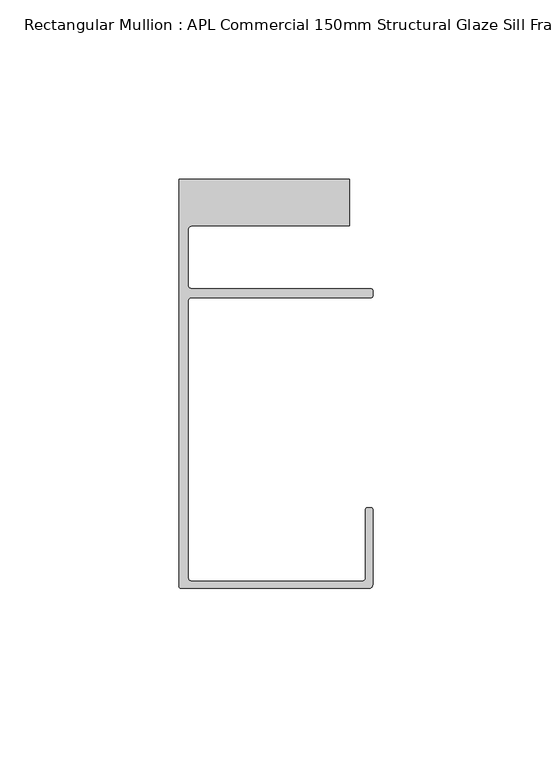
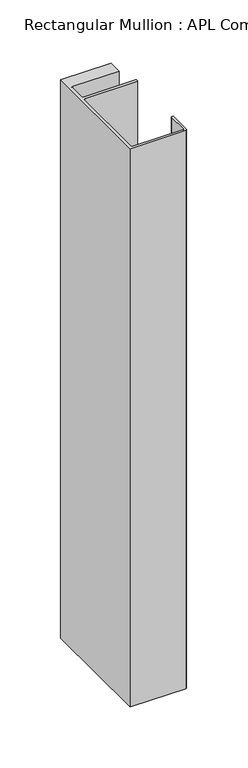
"""IFC4 building model written with IfcOpenShell, lengths in millimetres: member geometry, Rectangular Mullion : APL Commercial 150mm Structural Glaze Sill Frame (Back)."""

import ifcopenshell
import ifcopenshell.guid

model = None  # the IFC model being written
_history = None  # IfcOwnerHistory: only IFC2X3 demands one
_inside = {}  # id of a spatial element -> (the spatial element, [elements in it])
_under = {}  # id of a project, library or spatial element -> (it, [spatial elements below it])
_declared = {}  # id of a project -> (the project, [libraries it declares])
_typed = {}  # id of a type object -> (the type object, [elements of that type])
_made_of = {}  # id of a material, layer set ... -> (it, [elements and type objects made of it])


def new_model(schema):
    """Start an empty IFC model of exactly this schema.

    Asked for "IFC4X3", IfcOpenShell would pick the latest addendum, in which some entities
    have other attributes; the version numbers below select the first issue.
    IFC2X3 requires an IfcOwnerHistory on every rooted entity: one is made here for all.
    """
    global model, _history
    if schema == "IFC4X3":
        model = ifcopenshell.file(schema_version=(4, 3, 0, 0))
    else:
        model = ifcopenshell.file(schema=schema)
    _inside.clear()
    _under.clear()
    _declared.clear()
    _typed.clear()
    _made_of.clear()
    _history = None
    if model.schema == "IFC2X3":
        org = make("IfcOrganization", Name="unknown")
        user = make(
            "IfcPersonAndOrganization",
            ThePerson=make("IfcPerson", FamilyName="unknown"),
            TheOrganization=org,
        )
        app = make(
            "IfcApplication",
            ApplicationDeveloper=org,
            Version="unknown",
            ApplicationFullName="unknown",
            ApplicationIdentifier="unknown",
        )
        _history = make(
            "IfcOwnerHistory",
            OwningUser=user,
            OwningApplication=app,
            ChangeAction="ADDED",
            CreationDate=0,
        )
    return model


def make(cls, **values):
    """One entity of the class cls with the attributes given. An attribute that is None is left unset."""
    return model.create_entity(
        cls, **{name: value for name, value in values.items() if value is not None}
    )


def rooted(cls, **values):
    """An entity with a GlobalId (a new one), such as an element, a storey or a relation."""
    return make(cls, GlobalId=ifcopenshell.guid.new(), OwnerHistory=_history, **values)


def si_unit(unit_type, name, prefix=None):
    """IfcSIUnit, for example si_unit("LENGTHUNIT", "METRE", prefix="MILLI")."""
    return make("IfcSIUnit", UnitType=unit_type, Prefix=prefix, Name=name)


def assignment(units):
    """IfcUnitAssignment: the units of a project."""
    return None if units is None else make("IfcUnitAssignment", Units=units)


def point(xyz):
    """IfcCartesianPoint."""
    return None if xyz is None else make("IfcCartesianPoint", Coordinates=xyz)


def direction(xyz):
    """IfcDirection."""
    return None if xyz is None else make("IfcDirection", DirectionRatios=xyz)


def frame(location, z_axis=None, x_axis=None):
    """IfcAxis2Placement3D, a coordinate frame: its origin and axes. An axis left out is left unset."""
    return make(
        "IfcAxis2Placement3D",
        Location=point(location),
        Axis=direction(z_axis),
        RefDirection=direction(x_axis),
    )


def origin():
    """The frame at (0, 0, 0) with its axes left unset."""
    return frame((0.0, 0.0, 0.0))


def place(relative_to, where):
    """IfcLocalPlacement: puts the frame where relative to a parent placement (None: the world)."""
    return make(
        "IfcLocalPlacement", PlacementRelTo=relative_to, RelativePlacement=where
    )


def context(
    kind, dimensions, precision=None, world=None, true_north=None, identifier=None
):
    """IfcGeometricRepresentationContext, for example the 3D "Model" context."""
    return make(
        "IfcGeometricRepresentationContext",
        ContextIdentifier=identifier,
        ContextType=kind,
        CoordinateSpaceDimension=dimensions,
        Precision=precision,
        WorldCoordinateSystem=world,
        TrueNorth=true_north,
    )


def project(units=None, contexts=None):
    """IfcProject with its units and contexts."""
    return rooted(
        "IfcProject",
        Name="project",
        RepresentationContexts=contexts,
        UnitsInContext=assignment(units),
    )


def spatial(cls, under=None, at=None, **own):
    """A site, building, storey or space (cls), placed at a placement, below another one or the project."""
    s = rooted(cls, ObjectPlacement=at, **own)
    if under is not None:
        _under.setdefault(under.id(), (under, []))[1].append(s)
    return s


def polyline(points):
    """IfcPolyline through the points."""
    return make("IfcPolyline", Points=[point(p) for p in points])


def circle_curve(where, radius):
    """IfcCircle in the frame where."""
    return make("IfcCircle", Position=where, Radius=radius)


def shape(context_of_items, identifier, shape_type, items):
    """IfcShapeRepresentation: the items that make up one representation, for example the "Body"."""
    return make(
        "IfcShapeRepresentation",
        ContextOfItems=context_of_items,
        RepresentationIdentifier=identifier,
        RepresentationType=shape_type,
        Items=items,
    )


def source(mapping_origin, context_of_items, identifier, shape_type, items):
    """IfcRepresentationMap: a shape defined once, which mapped items show again and again."""
    return make(
        "IfcRepresentationMap",
        MappingOrigin=mapping_origin,
        MappedRepresentation=shape(context_of_items, identifier, shape_type, items),
    )


def transform(
    local_origin,
    x_axis=None,
    y_axis=None,
    z_axis=None,
    scale=None,
    scale2=None,
    scale3=None,
    uniform=True,
):
    """IfcCartesianTransformationOperator3D, or its non-uniform kind. x_axis, y_axis, z_axis: its Axis1, 2, 3."""
    if uniform:
        return make(
            "IfcCartesianTransformationOperator3D",
            Axis1=direction(x_axis),
            Axis2=direction(y_axis),
            LocalOrigin=point(local_origin),
            Scale=scale,
            Axis3=direction(z_axis),
        )
    return make(
        "IfcCartesianTransformationOperator3DnonUniform",
        Axis1=direction(x_axis),
        Axis2=direction(y_axis),
        LocalOrigin=point(local_origin),
        Scale=scale,
        Axis3=direction(z_axis),
        Scale2=scale2,
        Scale3=scale3,
    )


def mapped(mapping_source, mapping_target):
    """IfcMappedItem: shows the shape of a source again, moved by a transform."""
    return make(
        "IfcMappedItem", MappingSource=mapping_source, MappingTarget=mapping_target
    )


def made_of(thing, what):
    """Note that an element or type object is made of a material, layer set ...; save() writes the relation."""
    if what is not None:
        _made_of.setdefault(what.id(), (what, []))[1].append(thing)
    return thing


def element(
    cls,
    number,
    at=None,
    inside=None,
    cuts=None,
    type_object=None,
    material=None,
    context=None,
    identifier="Body",
    shape_type=None,
    held_by="IfcProductDefinitionShape",
    body=None,
    shapes=None,
    **own,
):
    """One element of the class cls, such as IfcWall. Its Tag is "e" and its number.

    at: its placement. inside: the storey or other place that contains it. cuts: it is an
    opening in that element (IfcRelVoidsElement). A single representation is given by context,
    identifier, shape_type and body (its items); several are given by shapes. held_by: the class
    of the entity that holds the representations. save() writes the other relations.
    """
    e = rooted(cls, Tag="e%d" % number, ObjectPlacement=at, **own)
    if body is not None:
        shapes = [shape(context, identifier, shape_type, body)]
    if shapes is not None:
        e.Representation = make(held_by, Representations=shapes)
    if inside is not None:
        _inside.setdefault(inside.id(), (inside, []))[1].append(e)
    if cuts is not None:
        rooted(
            "IfcRelVoidsElement", RelatingBuildingElement=cuts, RelatedOpeningElement=e
        )
    if type_object is not None:
        _typed.setdefault(type_object.id(), (type_object, []))[1].append(e)
    return made_of(e, material)


def aggregate(whole, parts):
    """IfcRelAggregates: a whole, such as a stair, and the parts it consists of."""
    return rooted("IfcRelAggregates", RelatingObject=whole, RelatedObjects=parts)


def save(model, path):
    """Write the relations noted so far, then the file.

    IfcRelAggregates (storeys below a building ...), IfcRelContainedInSpatialStructure (elements
    in a storey), IfcRelDefinesByType, IfcRelAssociatesMaterial and IfcRelDeclares: one each for
    every whole, place, type object, material and project.
    """
    for whole, parts in _under.values():
        aggregate(whole, parts)
    for where, things in _inside.values():
        rooted(
            "IfcRelContainedInSpatialStructure",
            RelatedElements=things,
            RelatingStructure=where,
        )
    for kind, things in _typed.values():
        rooted("IfcRelDefinesByType", RelatedObjects=things, RelatingType=kind)
    for what, things in _made_of.values():
        rooted("IfcRelAssociatesMaterial", RelatedObjects=things, RelatingMaterial=what)
    for by, libraries in _declared.values():
        rooted("IfcRelDeclares", RelatingContext=by, RelatedDefinitions=libraries)
    model.write(path)


def plane_surface(at):
    """IfcPlane: the flat surface through the origin of the frame at, square to its z axis."""
    return make("IfcPlane", Position=at)


def cylinder_surface(at, radius):
    """IfcCylindricalSurface: all points at the distance radius from the z axis of the frame at."""
    return make("IfcCylindricalSurface", Position=at, Radius=radius)


def revolved_surface(curve, axis_point, axis_direction):
    """IfcSurfaceOfRevolution: the curve turned about the line through axis_point along axis_direction."""
    return make(
        "IfcSurfaceOfRevolution",
        SweptCurve=make("IfcArbitraryOpenProfileDef", ProfileType="CURVE", Curve=curve),
        AxisPosition=make("IfcAxis1Placement", Location=point(axis_point), Axis=direction(axis_direction)),
    )


def advanced_brep(points, edges, surfaces, faces):
    """IfcAdvancedBrep: a solid bounded by faces that lie on surfaces and meet in shared edges.

    An edge is (start, end): straight between two places in points (the first is 0);
    or (start, end, curve); or (start, end, curve, False) where it runs against its curve.
    A face is (place in surfaces, loops), or (place, loops, False) where it looks against
    its surface's normal. A loop lists edges by number (the first is 1), with a minus sign
    where the edge is run from its end to its start. The first loop is the outer one.
    """
    corners = [point(p) for p in points]
    vertices = [make("IfcVertexPoint", VertexGeometry=c) for c in corners]
    made = []
    for start, end, *more in edges:
        made.append(
            make(
                "IfcEdgeCurve",
                EdgeStart=vertices[start],
                EdgeEnd=vertices[end],
                EdgeGeometry=more[0] if more else make("IfcPolyline", Points=[corners[start], corners[end]]),
                SameSense=more[1] if len(more) > 1 else True,
            )
        )
    hull = []
    for where, loops, *sense in faces:
        bounds = []
        for j, loop in enumerate(loops):
            ring = [make("IfcOrientedEdge", EdgeElement=made[abs(k) - 1], Orientation=k > 0) for k in loop]
            bounds.append(
                make(
                    "IfcFaceOuterBound" if j == 0 else "IfcFaceBound",
                    Bound=make("IfcEdgeLoop", EdgeList=ring),
                    Orientation=True,
                )
            )
        hull.append(make("IfcAdvancedFace", Bounds=bounds, FaceSurface=surfaces[where], SameSense=sense[0] if sense else True))
    return make("IfcAdvancedBrep", Outer=make("IfcClosedShell", CfsFaces=hull))


def rectangular_mullion_apl_commercial_150mm_structural_glaze_e4b535e9(model_context):
    return source(origin(), model_context, "Body", "AdvancedBrep", [
        advanced_brep(
        [(-53.5000083, -129.0001071, 0.0), (-1.0000079, -129.0001071, 0.0), (-7.9e-06, -128.0001071, 0.0), (0.0, -107.0001071, 0.0), (-0.5, -106.5001071, 0.0), (-1.4999822, -106.5001071, 0.0), (-1.9999822, -107.0001071, 0.0), (-1.9999982, -126.0001071, 0.0), (-2.9999982, -127.0001071, 0.0), (-50.5000083, -127.00011, 0.0), (-51.5000083, -126.00011, 0.0), (-51.5000225, -48.9999541, 0.0), (-50.482081, -48.000115, 0.0), (-0.5000012, -48.000115, 0.0), (-5.4e-06, -47.5021598, 0.0), (-5.4e-06, -46.0213357, 0.0), (-0.521387, -45.4999541, 0.0), (-50.500032, -45.4999541, 0.0), (-51.500032, -44.4999541, 0.0), (-51.500032, -29.0004332, 0.0), (-50.500032, -28.0004332, 0.0), (-6.5000083, -28.0004332, 0.0), (-6.5000083, -15.0004332, 0.0), (-54.0000083, -15.0004332, 0.0), (-54.0000083, -128.5001071, 0.0), (-53.5000083, -129.0001071, -558.9999477), (-54.0000083, -128.5001071, -558.9999477), (-54.0000083, -15.0004332, -558.9999477), (-6.5000083, -15.0004332, -558.9999477), (-6.5000083, -28.0004332, -558.9999477), (-50.500032, -28.0004332, -558.9999477), (-51.500032, -29.0004332, -558.9999477), (-51.500032, -44.4999541, -558.9999477), (-50.500032, -45.4999541, -558.9999477), (-0.521387, -45.4999541, -558.9999477), (-5.4e-06, -46.0213357, -558.9999477), (-5.4e-06, -47.5021598, -558.9999477), (-0.5000012, -48.000115, -558.9999477), (-50.482081, -48.000115, -558.9999477), (-51.5000225, -48.9999541, -558.9999477), (-51.5000225, -126.00011, -558.9999477), (-50.5000083, -127.00011, -558.9999477), (-2.9999982, -127.00011, -558.9999477), (-1.9999982, -126.0001071, -558.9999477), (-1.9999982, -107.0001071, -558.9999477), (-1.4999822, -106.5001071, -558.9999477), (-0.5, -106.5001071, -558.9999477), (0.0, -107.0001071, -558.9999477), (0.0, -128.0001071, -558.9999477), (-1.0000079, -129.0001071, -558.9999477)],
        [
            (0, 1),
            (1, 2, circle_curve(frame((-1.0000079, -128.0001071, 0.0), z_axis=(0.0, 0.0, 1.0), x_axis=(0.9999999999996143, -8.78371761103865e-07, 0.0)), 1.0)),
            (2, 3),
            (3, 4, circle_curve(frame((-0.5, -107.0001071, 0.0), z_axis=(0.0, 0.0, 1.0), x_axis=(0.0, 1.0, 0.0)), 0.5)),
            (4, 5),
            (5, 6, circle_curve(frame((-1.4999822, -107.0001071, 0.0), z_axis=(0.0, 0.0, 1.0), x_axis=(-1.0, 1.039279773351609e-08, 0.0)), 0.5)),
            (6, 7),
            (7, 8, circle_curve(frame((-2.9999982, -126.0001071, 0.0), z_axis=(0.0, 0.0, -1.0), x_axis=(0.0, -1.0, 0.0)), 1.0)),
            (8, 9),
            (9, 10, circle_curve(frame((-50.5000083, -126.00011, 0.0), z_axis=(0.0, 0.0, -1.0), x_axis=(-1.0, -3.636202450239078e-12, 0.0)), 1.0)),
            (10, 11),
            (11, 12, circle_curve(frame((-50.5000225, -48.9999541, 0.0), z_axis=(0.0, 0.0, -1.0), x_axis=(3.5344775231070867e-06, 0.9999999999937538, 0.0)), 1.0)),
            (12, 13),
            (13, 14, circle_curve(frame((-0.5000012, -47.500115, 0.0), z_axis=(0.0, 0.0, 1.0), x_axis=(0.9999999999999991, 4.5120271963110614e-08, 0.0)), 0.5)),
            (14, 15),
            (15, 16, circle_curve(frame((-0.521387, -46.0213357, 0.0), z_axis=(0.0, 0.0, 1.0), x_axis=(-1.0, 0.0, 0.0)), 0.5213816)),
            (16, 17),
            (17, 18, circle_curve(frame((-50.500032, -44.4999541, 0.0), z_axis=(0.0, 0.0, -1.0), x_axis=(-0.9999999999998819, -4.863123717036027e-07, 0.0)), 1.0)),
            (18, 19),
            (19, 20, circle_curve(frame((-50.500032, -29.0004332, 0.0), z_axis=(0.0, 0.0, -1.0), x_axis=(0.0, 1.0, 0.0)), 1.0)),
            (20, 21),
            (21, 22),
            (22, 23),
            (23, 24),
            (24, 0, circle_curve(frame((-53.5000083, -128.5001071, 0.0), z_axis=(0.0, 0.0, 1.0), x_axis=(0.0, -1.0, 0.0)), 0.5)),
            (25, 26, circle_curve(frame((-53.5000083, -128.5001071, -558.9999477), z_axis=(0.0, 0.0, -1.0), x_axis=(0.0, -1.0, 0.0)), 0.5)),
            (26, 27),
            (27, 28),
            (28, 29),
            (29, 30),
            (30, 31, circle_curve(frame((-50.500032, -29.0004332, -558.9999477), z_axis=(0.0, 0.0, 1.0), x_axis=(0.0, 1.0, 0.0)), 1.0)),
            (31, 32),
            (32, 33, circle_curve(frame((-50.500032, -44.4999541, -558.9999477), z_axis=(0.0, 0.0, 1.0), x_axis=(-0.9999999999998819, -4.863123717036027e-07, 0.0)), 1.0)),
            (33, 34),
            (34, 35, circle_curve(frame((-0.521387, -46.0213357, -558.9999477), z_axis=(0.0, 0.0, -1.0), x_axis=(-1.0, 0.0, 0.0)), 0.5213816)),
            (35, 36),
            (36, 37, circle_curve(frame((-0.5000012, -47.500115, -558.9999477), z_axis=(0.0, 0.0, -1.0), x_axis=(0.9999999999999991, 4.5120271963110614e-08, 0.0)), 0.5)),
            (37, 38),
            (38, 39, circle_curve(frame((-50.5000225, -48.9999541, -558.9999477), z_axis=(0.0, 0.0, 1.0), x_axis=(3.5344775231070867e-06, 0.9999999999937538, 0.0)), 1.0)),
            (39, 40),
            (40, 41, circle_curve(frame((-50.5000083, -126.00011, -558.9999477), z_axis=(0.0, 0.0, 1.0), x_axis=(-1.0, -3.636202450239078e-12, 0.0)), 1.0)),
            (41, 42),
            (42, 43, circle_curve(frame((-2.9999982, -126.0001071, -558.9999477), z_axis=(0.0, 0.0, 1.0), x_axis=(0.0, -1.0, 0.0)), 1.0)),
            (43, 44),
            (44, 45, circle_curve(frame((-1.4999822, -107.0001071, -558.9999477), z_axis=(0.0, 0.0, -1.0), x_axis=(-1.0, 1.039279773351609e-08, 0.0)), 0.5)),
            (45, 46),
            (46, 47, circle_curve(frame((-0.5, -107.0001071, -558.9999477), z_axis=(0.0, 0.0, -1.0), x_axis=(0.0, 1.0, 0.0)), 0.5)),
            (47, 48),
            (48, 49, circle_curve(frame((-1.0000079, -128.0001071, -558.9999477), z_axis=(0.0, 0.0, -1.0), x_axis=(0.9999999999996143, -8.78371761103865e-07, 0.0)), 1.0)),
            (49, 25),
            (0, 25),
            (49, 1),
            (48, 2),
            (14, 36),
            (35, 15),
            (34, 16),
            (33, 17),
            (32, 18),
            (31, 19),
            (30, 20),
            (29, 21),
            (28, 22),
            (27, 23),
            (26, 24),
            (47, 3),
            (46, 4),
            (45, 5),
            (44, 6),
            (43, 7),
            (42, 8),
            (41, 9),
            (40, 10),
            (39, 11),
            (38, 12),
            (37, 13),
        ],
        [
            plane_surface(frame((0.0, -139.6548314, 0.0), z_axis=(0.0, 0.0, 1.0), x_axis=(-1.0, 0.0, 0.0))),
            plane_surface(frame((0.0, -139.6548314, -558.9999477), z_axis=(0.0, 0.0, -1.0), x_axis=(-1.0, 0.0, 0.0))),
            plane_surface(frame((-53.5000083, -129.0001071, 0.0), z_axis=(0.0, -1.0, 0.0), x_axis=(0.0, 0.0, -1.0))),
            cylinder_surface(frame((-1.0000079, -128.0001071, 0.0), z_axis=(0.0, 0.0, 1.0000000000000002), x_axis=(0.9999999999996143, -8.78371761103865e-07, 0.0)), 1.0),
            plane_surface(frame((-5.4e-06, -47.5021598, 0.0), z_axis=(1.0, 0.0, 0.0), x_axis=(0.0, 0.0, -1.0))),
            cylinder_surface(frame((-0.521387, -46.0213357, 0.0), z_axis=(0.0, 0.0, 1.0), x_axis=(-1.0, 0.0, 0.0)), 0.5213816),
            plane_surface(frame((-0.521387, -45.4999541, 0.0), z_axis=(0.0, 1.0, 0.0), x_axis=(0.0, 0.0, -1.0))),
            revolved_surface(polyline([(-51.50003199999988, -44.49995458631237, -558.9999477000002), (-51.50003199999988, -44.49995458631237, 0.0)]), (-50.500032, -44.4999541, 0.0), (0.0, 0.0, -1.0000000000000002)),
            plane_surface(frame((-51.500032, -44.4999541, 0.0), z_axis=(1.0, 0.0, 0.0), x_axis=(0.0, 0.0, -1.0))),
            revolved_surface(polyline([(-50.500032, -28.0004332, -558.9999477), (-50.500032, -28.0004332, 0.0)]), (-50.500032, -29.0004332, 0.0), (0.0, 0.0, -1.0)),
            plane_surface(frame((-50.500032, -28.0004332, 0.0), z_axis=(0.0, -1.0, 0.0), x_axis=(0.0, 0.0, -1.0))),
            plane_surface(frame((-6.5000083, -28.0004332, 0.0), z_axis=(1.0, 0.0, 0.0), x_axis=(0.0, 0.0, -1.0))),
            plane_surface(frame((-6.5000083, -15.0004332, 0.0), z_axis=(0.0, 1.0, 0.0), x_axis=(0.0, 0.0, -1.0))),
            plane_surface(frame((-54.0000083, -15.0004332, 0.0), z_axis=(-1.0, 0.0, 0.0), x_axis=(0.0, 0.0, -1.0))),
            cylinder_surface(frame((-53.5000083, -128.5001071, 0.0), z_axis=(0.0, 0.0, 1.0), x_axis=(0.0, -1.0, 0.0)), 0.5),
            plane_surface(frame((0.0, -128.0001071, 0.0), z_axis=(1.0, 0.0, 0.0), x_axis=(0.0, 0.0, -1.0))),
            cylinder_surface(frame((-0.5, -107.0001071, 0.0), z_axis=(0.0, 0.0, 1.0), x_axis=(0.0, 1.0, 0.0)), 0.5),
            plane_surface(frame((-0.5, -106.5001071, 0.0), z_axis=(0.0, 1.0, 0.0), x_axis=(0.0, 0.0, -1.0))),
            cylinder_surface(frame((-1.4999822, -107.0001071, 0.0), z_axis=(0.0, 0.0, 1.0), x_axis=(-1.0, 1.039279773351609e-08, 0.0)), 0.5),
            plane_surface(frame((-1.9999982, -107.0001071, 0.0), z_axis=(-1.0, 0.0, 0.0), x_axis=(0.0, 0.0, -1.0))),
            revolved_surface(polyline([(-2.9999982, -127.0001071, -558.9999477), (-2.9999982, -127.0001071, 0.0)]), (-2.9999982, -126.0001071, 0.0), (0.0, 0.0, -1.0)),
            plane_surface(frame((-2.9999982, -127.00011, 0.0), z_axis=(0.0, 1.0, 0.0), x_axis=(0.0, 0.0, -1.0))),
            revolved_surface(polyline([(-51.5000083, -126.00011000000364, -558.9999477), (-51.5000083, -126.00011000000364, 0.0)]), (-50.5000083, -126.00011, 0.0), (0.0, 0.0, -1.0)),
            plane_surface(frame((-51.5000225, -126.00011, 0.0), z_axis=(1.0, 0.0, 0.0), x_axis=(0.0, 0.0, -1.0))),
            revolved_surface(polyline([(-50.50001896552248, -47.99995410000624, -558.9999477), (-50.50001896552248, -47.99995410000624, 0.0)]), (-50.5000225, -48.9999541, 0.0), (0.0, 0.0, -1.0)),
            plane_surface(frame((-50.482081, -48.000115, 0.0), z_axis=(0.0, -1.0, 0.0), x_axis=(0.0, 0.0, -1.0))),
            cylinder_surface(frame((-0.5000012, -47.500115, 0.0), z_axis=(0.0, 0.0, 1.0000000000000002), x_axis=(0.9999999999999991, 4.5120271963110614e-08, 0.0)), 0.5),
        ],
        [
            (0, [[1, 2, 3, 4, 5, 6, 7, 8, 9, 10, 11, 12, 13, 14, 15, 16, 17, 18, 19, 20, 21, 22, 23, 24, 25]]),
            (1, [[26, 27, 28, 29, 30, 31, 32, 33, 34, 35, 36, 37, 38, 39, 40, 41, 42, 43, 44, 45, 46, 47, 48, 49, 50]]),
            (2, [[-1, 51, -50, 52]]),
            (3, [[-2, -52, -49, 53]]),
            (4, [[-15, 54, -36, 55]]),
            (5, [[-16, -55, -35, 56]]),
            (6, [[-17, -56, -34, 57]]),
            (7, [[-18, -57, -33, 58]]),
            (8, [[-19, -58, -32, 59]]),
            (9, [[-20, -59, -31, 60]]),
            (10, [[-21, -60, -30, 61]]),
            (11, [[-22, -61, -29, 62]]),
            (12, [[-23, -62, -28, 63]]),
            (13, [[-24, -63, -27, 64]]),
            (14, [[-25, -64, -26, -51]]),
            (15, [[-3, -53, -48, 65]]),
            (16, [[-4, -65, -47, 66]]),
            (17, [[-5, -66, -46, 67]]),
            (18, [[-6, -67, -45, 68]]),
            (19, [[-7, -68, -44, 69]]),
            (20, [[-8, -69, -43, 70]]),
            (21, [[-9, -70, -42, 71]]),
            (22, [[-10, -71, -41, 72]]),
            (23, [[-11, -72, -40, 73]]),
            (24, [[-12, -73, -39, 74]]),
            (25, [[-13, -74, -38, 75]]),
            (26, [[-14, -75, -37, -54]]),
        ],
    ),
    ])


if __name__ == "__main__":
    model = new_model("IFC4")
    model_context = context("Model", 3, world=origin())
    ifc_project = project(units=[si_unit("LENGTHUNIT", "METRE", prefix="MILLI")], contexts=[model_context])
    site = spatial("IfcSite", under=ifc_project)
    building = spatial("IfcBuilding", under=site)
    placement = place(None, origin())
    rectangular_mullion_apl_commercial_150mm_structural_glaze_shape = rectangular_mullion_apl_commercial_150mm_structural_glaze_e4b535e9(model_context)
    element("IfcMember", 1, ObjectType="Rectangular Mullion : APL Commercial 150mm Structural Glaze Sill Frame (Back)", at=placement, inside=building, context=model_context, shape_type="MappedRepresentation", body=[
        mapped(rectangular_mullion_apl_commercial_150mm_structural_glaze_shape, transform((0.0, 0.0, 0.0), x_axis=(1.0, 0.0, 0.0), y_axis=(0.0, 1.0, 0.0), z_axis=(0.0, 0.0, 1.0))),
    ])
    save(model, "model.ifc")
